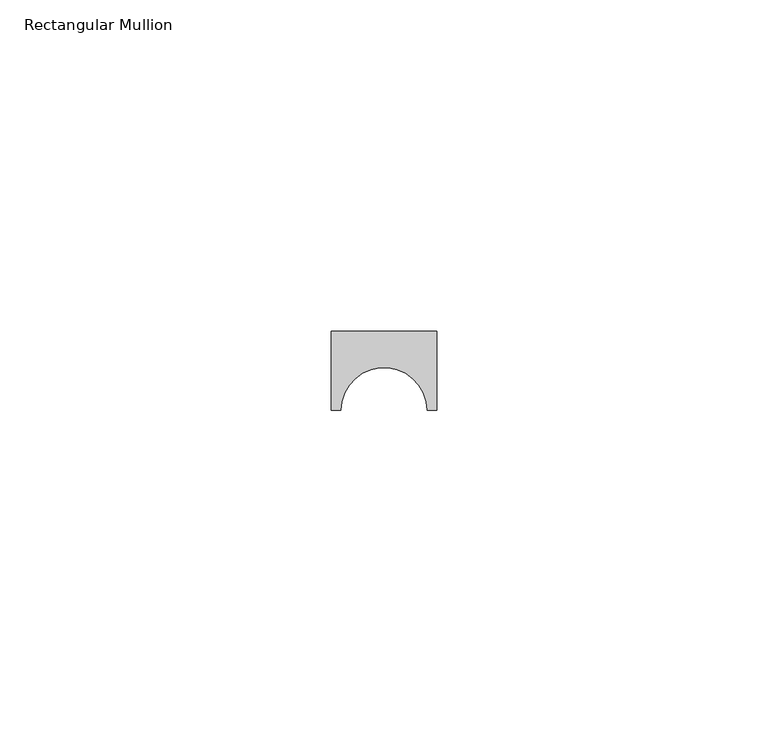
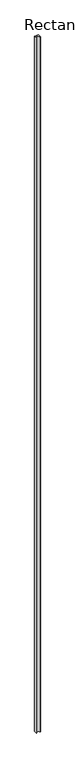
"""IFC4 building model written with IfcOpenShell, lengths in millimetres: member geometry, Rectangular Mullion."""

from ifc_helpers import new_model, si_unit, point, frame, frame_2d, origin, place, context, project, spatial, polyline, circle_curve, trimmed, segment, composite_curve, outline, extrude, source, transform, mapped, element, save


def rectangular_mullion_57c5e427(model_context):
    return source(origin(), model_context, "Body", "SweptSolid", [
        extrude(outline(composite_curve([segment(polyline([(8.0, 0.0), (8.0, -12.0), (6.5, -12.0)]), True, "CONTINUOUS"), segment(trimmed(circle_curve(frame_2d((0.0, -12.0)), 6.5), [point((6.5, -12.0))], [point((-6.5, -12.0))], True, "CARTESIAN"), True, "CONTINUOUS"), segment(polyline([(-6.5, -12.0), (-8.0, -12.0), (-8.0, 0.0), (8.0, 0.0)]), True, "CONTINUOUS")], self_intersect=False)), frame((0.0, 0.0, -3000.0), z_axis=(0.0, 0.0, 1.0), x_axis=(1.0, 0.0, 0.0)), (0.0, 0.0, 1.0), 3000.0),
    ])


if __name__ == "__main__":
    model = new_model("IFC4")
    model_context = context("Model", 3, world=origin())
    ifc_project = project(units=[si_unit("LENGTHUNIT", "METRE", prefix="MILLI")], contexts=[model_context])
    site = spatial("IfcSite", under=ifc_project)
    building = spatial("IfcBuilding", under=site)
    placement = place(None, origin())
    rectangular_mullion_shape = rectangular_mullion_57c5e427(model_context)
    element("IfcMember", 1, ObjectType="Rectangular Mullion", at=placement, inside=building, context=model_context, shape_type="MappedRepresentation", body=[
        mapped(rectangular_mullion_shape, transform((0.0, 0.0, 0.0), x_axis=(1.0, 0.0, 0.0), y_axis=(0.0, 1.0, 0.0), z_axis=(0.0, 0.0, 1.0))),
    ])
    save(model, "model.ifc")
